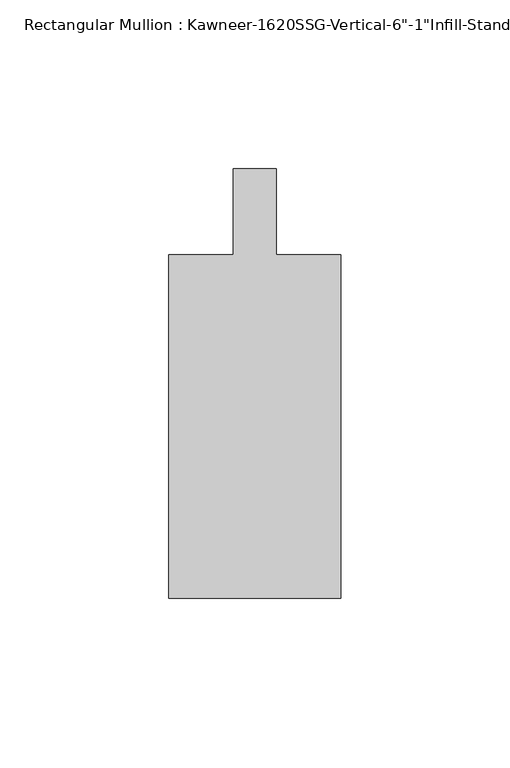
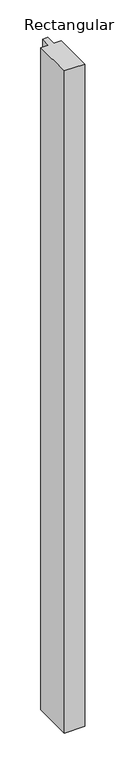
"""IFC4 building model written with IfcOpenShell, lengths in millimetres: member geometry."""

from ifc_helpers import new_model, si_unit, frame, origin, place, context, project, spatial, polyline, outline, extrude, source, transform, mapped, element, save


def member_2c1b48ff(model_context):
    return source(origin(), model_context, "Body", "SweptSolid", [
        extrude(outline(polyline([(25.4, -114.3), (-25.4, -114.3), (-25.4, -12.7), (-6.35, -12.7), (-6.35, 12.7), (6.35, 12.7), (6.35, -12.7), (25.4, -12.7), (25.4, -114.3)])), frame((0.0, 0.0, -1739.9), z_axis=(0.0, 0.0, 1.0), x_axis=(1.0, 0.0, 0.0)), (0.0, 0.0, 1.0), 1739.9),
    ])


if __name__ == "__main__":
    model = new_model("IFC4")
    model_context = context("Model", 3, world=origin())
    ifc_project = project(units=[si_unit("LENGTHUNIT", "METRE", prefix="MILLI")], contexts=[model_context])
    site = spatial("IfcSite", under=ifc_project)
    building = spatial("IfcBuilding", under=site)
    placement = place(None, origin())
    member_shape = member_2c1b48ff(model_context)
    element("IfcMember", 1, ObjectType="Rectangular Mullion : Kawneer-1620SSG-Vertical-6\"-1\"Infill-Standard", at=placement, inside=building, context=model_context, shape_type="MappedRepresentation", body=[
        mapped(member_shape, transform((0.0, 0.0, 0.0), x_axis=(1.0, 0.0, 0.0), y_axis=(0.0, 1.0, 0.0), z_axis=(0.0, 0.0, 1.0))),
    ])
    save(model, "model.ifc")
